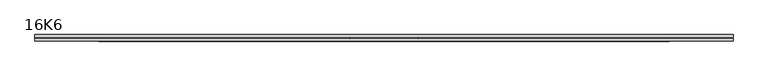
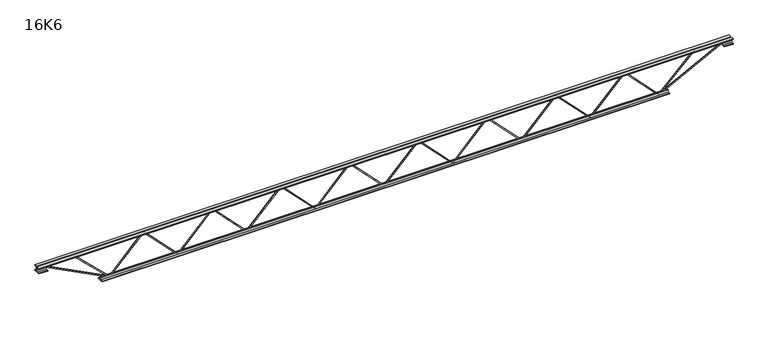
"""IFC4 building model written with IfcOpenShell, lengths in millimetres: beam geometry, 16K6."""

from ifc_helpers import new_model, si_unit, frame, origin, place, context, project, spatial, polyline, outline, extrude, source, transform, mapped, element, save


def beam_16k6_a9beb257(model_context):
    return source(origin(), model_context, "Body", "SweptSolid", [
        extrude(outline(polyline([(-191.9, 1541.8928571), (-201.4, 1541.8928571), (-201.4, 1547.086301), (191.9, 1926.298801), (191.9, 1928.6119133), (-201.4, 2307.8244133), (-201.4, 2313.0178571), (-191.9, 2313.0178571), (-191.9, 2311.861301), (201.4, 1932.648801), (201.4, 1922.2619133), (-191.9, 1543.0494133), (-191.9, 1541.8928571)])), frame((0.0, -4.75, 0.0), z_axis=(0.0, 1.0, 0.0), x_axis=(0.0, 0.0, 1.0)), (0.0, 0.0, 1.0), 9.5),
        extrude(outline(polyline([(-191.9, 770.9107143), (-201.4, 770.9107143), (-201.4, 776.1041581), (191.9, 1155.3166581), (191.9, 1157.6297705), (-201.4, 1536.8422705), (-201.4, 1542.0357143), (-191.9, 1542.0357143), (-191.9, 1540.8791581), (201.4, 1161.6666581), (201.4, 1151.2797705), (-191.9, 772.0672705), (-191.9, 770.9107143)])), frame((0.0, -4.75, 0.0), z_axis=(0.0, 1.0, 0.0), x_axis=(0.0, 0.0, 1.0)), (0.0, 0.0, 1.0), 9.5),
        extrude(outline(polyline([(-191.9, -0.0714286), (-201.4, -0.0714286), (-201.4, 5.1220152), (191.9, 384.3345152), (191.9, 386.6476276), (-201.4, 765.8601276), (-201.4, 771.0535714), (-191.9, 771.0535714), (-191.9, 769.8970152), (201.4, 390.6845152), (201.4, 380.2976276), (-191.9, 1.0851276), (-191.9, -0.0714286)])), frame((0.0, -4.75, 0.0), z_axis=(0.0, 1.0, 0.0), x_axis=(0.0, 0.0, 1.0)), (0.0, 0.0, 1.0), 9.5),
        extrude(outline(polyline([(-191.9, -771.0535714), (-201.4, -771.0535714), (-201.4, -765.8601276), (191.9, -386.6476276), (191.9, -384.3345152), (-201.4, -5.1220152), (-201.4, 0.0714286), (-191.9, 0.0714286), (-191.9, -1.0851276), (201.4, -380.2976276), (201.4, -390.6845152), (-191.9, -769.8970152), (-191.9, -771.0535714)])), frame((0.0, -4.75, 0.0), z_axis=(0.0, 1.0, 0.0), x_axis=(0.0, 0.0, 1.0)), (0.0, 0.0, 1.0), 9.5),
        extrude(outline(polyline([(-191.9, -1542.0357143), (-201.4, -1542.0357143), (-201.4, -1536.8422705), (191.9, -1157.6297705), (191.9, -1155.3166581), (-201.4, -776.1041581), (-201.4, -770.9107143), (-191.9, -770.9107143), (-191.9, -772.0672705), (201.4, -1151.2797705), (201.4, -1161.6666581), (-191.9, -1540.8791581), (-191.9, -1542.0357143)])), frame((0.0, -4.75, 0.0), z_axis=(0.0, 1.0, 0.0), x_axis=(0.0, 0.0, 1.0)), (0.0, 0.0, 1.0), 9.5),
        extrude(outline(polyline([(-191.9, -2313.0178571), (-201.4, -2313.0178571), (-201.4, -2307.8244133), (191.9, -1928.6119133), (191.9, -1926.298801), (-201.4, -1547.086301), (-201.4, -1541.8928571), (-191.9, -1541.8928571), (-191.9, -1543.0494133), (201.4, -1922.2619133), (201.4, -1932.648801), (-191.9, -2311.861301), (-191.9, -2313.0178571)])), frame((0.0, -4.75, 0.0), z_axis=(0.0, 1.0, 0.0), x_axis=(0.0, 0.0, 1.0)), (0.0, 0.0, 1.0), 9.5),
        extrude(outline(polyline([(-191.9, 2312.875), (-201.4, 2312.875), (-201.4, 2318.0684438), (191.9, 2697.2809438), (191.9, 2699.5940562), (-201.4, 3078.8065562), (-201.4, 3084.0), (-191.9, 3084.0), (-191.9, 3082.8434438), (201.4, 2703.6309438), (201.4, 2693.2440562), (-191.9, 2314.0315562), (-191.9, 2312.875)])), frame((0.0, -4.75, 0.0), z_axis=(0.0, 1.0, 0.0), x_axis=(0.0, 0.0, 1.0)), (0.0, 0.0, 1.0), 9.5),
        extrude(outline(polyline([(-191.9, -3084.0), (-201.4, -3084.0), (-201.4, -3078.8065562), (191.9, -2699.5940562), (191.9, -2697.2809438), (-201.4, -2318.0684438), (-201.4, -2312.875), (-191.9, -2312.875), (-191.9, -2314.0315562), (201.4, -2693.2440562), (201.4, -2703.6309438), (-191.9, -3082.8434438), (-191.9, -3084.0)])), frame((0.0, -4.75, 0.0), z_axis=(0.0, 1.0, 0.0), x_axis=(0.0, 0.0, 1.0)), (0.0, 0.0, 1.0), 9.5),
        extrude(outline(polyline([(4.75, 203.0), (36.75, 203.0), (36.75, 196.5), (11.25, 196.5), (11.25, 171.0), (4.75, 171.0), (4.75, 203.0)])), frame((-3896.0, 0.0, 0.0), z_axis=(1.0, 0.0, 0.0), x_axis=(0.0, 1.0, 0.0)), (0.0, 0.0, 1.0), 7792.0),
        extrude(outline(polyline([(-4.75, 203.0), (-4.75, 171.0), (-11.25, 171.0), (-11.25, 196.5), (-36.75, 196.5), (-36.75, 203.0), (-4.75, 203.0)])), frame((-3896.0, 0.0, 0.0), z_axis=(1.0, 0.0, 0.0), x_axis=(0.0, 1.0, 0.0)), (0.0, 0.0, 1.0), 7792.0),
        extrude(outline(polyline([(-4.75, 139.5), (-36.75, 139.5), (-36.75, 146.0), (-11.25, 146.0), (-11.25, 171.0), (-4.75, 171.0), (-4.75, 139.5)])), frame((-3896.0, 0.0, 0.0), z_axis=(1.0, 0.0, 0.0), x_axis=(0.0, 1.0, 0.0)), (0.0, 0.0, 1.0), 100.0),
        extrude(outline(polyline([(36.75, 139.5), (4.75, 139.5), (4.75, 171.0), (11.25, 171.0), (11.25, 146.0), (36.75, 146.0), (36.75, 139.5)])), frame((-3896.0, 0.0, 0.0), z_axis=(1.0, 0.0, 0.0), x_axis=(0.0, 1.0, 0.0)), (0.0, 0.0, 1.0), 100.0),
        extrude(outline(polyline([(4.75, 139.5), (4.75, 171.0), (11.25, 171.0), (11.25, 146.0), (36.75, 146.0), (36.75, 139.5), (4.75, 139.5)])), frame((3796.0, 0.0, 0.0), z_axis=(1.0, 0.0, 0.0), x_axis=(0.0, 1.0, 0.0)), (0.0, 0.0, 1.0), 100.0),
        extrude(outline(polyline([(-4.75, 139.5), (-36.75, 139.5), (-36.75, 146.0), (-11.25, 146.0), (-11.25, 171.0), (-4.75, 171.0), (-4.75, 139.5)])), frame((3796.0, 0.0, 0.0), z_axis=(1.0, 0.0, 0.0), x_axis=(0.0, 1.0, 0.0)), (0.0, 0.0, 1.0), 100.0),
        extrude(outline(polyline([(4.75, -203.0), (4.75, -171.0), (11.25, -171.0), (11.25, -196.5), (36.75, -196.5), (36.75, -203.0), (4.75, -203.0)])), frame((-3184.0, 0.0, 0.0), z_axis=(1.0, 0.0, 0.0), x_axis=(0.0, 1.0, 0.0)), (0.0, 0.0, 1.0), 6368.0),
        extrude(outline(polyline([(-4.75, -203.0), (-36.75, -203.0), (-36.75, -196.5), (-11.25, -196.5), (-11.25, -171.0), (-4.75, -171.0), (-4.75, -203.0)])), frame((-3184.0, 0.0, 0.0), z_axis=(1.0, 0.0, 0.0), x_axis=(0.0, 1.0, 0.0)), (0.0, 0.0, 1.0), 6368.0),
        extrude(outline(polyline([(-200.8705467, -3086.1793315), (-192.4294533, -3081.8206685), (175.75, -3794.8460208), (175.75, -3896.0), (166.25, -3896.0), (166.25, -3797.1539792), (-200.8705467, -3086.1793315)])), frame((0.0, -4.75, 0.0), z_axis=(0.0, 1.0, 0.0), x_axis=(0.0, 0.0, 1.0)), (0.0, 0.0, 1.0), 9.5),
        extrude(outline(polyline([(188.7, -3489.5196429), (179.2, -3489.5196429), (179.2, -3478.7433415), (-200.0613981, -3087.305278), (-193.2386019, -3080.694722), (188.7, -3474.8959442), (188.7, -3489.5196429)])), frame((0.0, -4.75, 0.0), z_axis=(0.0, 1.0, 0.0), x_axis=(0.0, 0.0, 1.0)), (0.0, 0.0, 1.0), 9.5),
        extrude(outline(polyline([(0.0, -9.5), (0.0, 0.0), (801.3179909, 0.0), (801.3179909, -9.5), (0.0, -9.5)])), frame((3798.1793315, -4.75, 166.7794533), z_axis=(-0.4588066213244966, 0.0, 0.8885361468329807), x_axis=(-0.8885361468329807, 0.0, -0.4588066213244966)), (0.0, 0.0, 1.0), 9.5),
        extrude(outline(polyline([(0.0, -9.5), (0.0, 0.0), (561.0225704, 0.0), (561.0225704, -9.5), (0.0, -9.5)])), frame((3487.406732, -4.75, 193.2626769), z_axis=(-0.7010413141470864, 0.0, 0.7131206600982236), x_axis=(-0.7131206600982236, 0.0, -0.7010413141470864)), (0.0, 0.0, 1.0), 9.5),
    ])


if __name__ == "__main__":
    model = new_model("IFC4")
    model_context = context("Model", 3, world=origin())
    ifc_project = project(units=[si_unit("LENGTHUNIT", "METRE", prefix="MILLI")], contexts=[model_context])
    site = spatial("IfcSite", under=ifc_project)
    building = spatial("IfcBuilding", under=site)
    placement = place(None, origin())
    beam_16k6_shape = beam_16k6_a9beb257(model_context)
    element("IfcBeam", 1, ObjectType="16K6", at=placement, inside=building, context=model_context, shape_type="MappedRepresentation", body=[
        mapped(beam_16k6_shape, transform((0.0, 0.0, 0.0), x_axis=(1.0, 0.0, 0.0), y_axis=(0.0, 1.0, 0.0), z_axis=(0.0, 0.0, 1.0))),
    ])
    save(model, "model.ifc")
